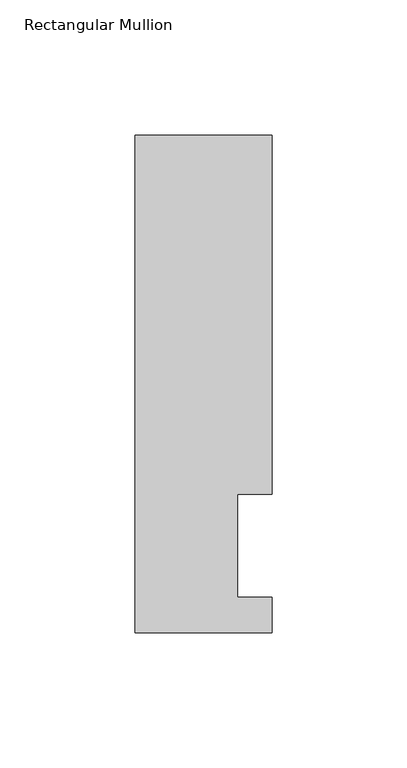
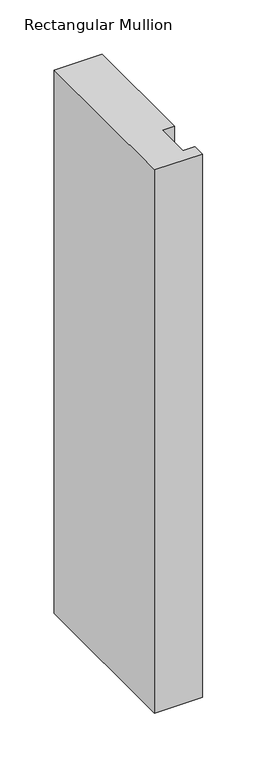
"""IFC4 building model written with IfcOpenShell, lengths in millimetres: member geometry, Rectangular Mullion."""

from ifc_helpers import new_model, si_unit, frame, origin, place, context, project, spatial, polyline, outline, extrude, source, transform, mapped, element, save


def rectangular_mullion_2be2d13f(model_context):
    return source(origin(), model_context, "Body", "SweptSolid", [
        extrude(outline(polyline([(-50.8, 184.2396937), (0.0, 184.2396937), (0.0, 51.2960938), (-12.7, 51.2960938), (-12.7, 13.1960938), (0.0, 13.1960938), (0.0, 0.0134937), (-50.8, 0.0134937), (-50.8, 184.2396937)])), frame((0.0, 0.0, -609.6), z_axis=(0.0, 0.0, 1.0), x_axis=(1.0, 0.0, 0.0)), (0.0, 0.0, 1.0), 609.6),
    ])


if __name__ == "__main__":
    model = new_model("IFC4")
    model_context = context("Model", 3, world=origin())
    ifc_project = project(units=[si_unit("LENGTHUNIT", "METRE", prefix="MILLI")], contexts=[model_context])
    site = spatial("IfcSite", under=ifc_project)
    building = spatial("IfcBuilding", under=site)
    placement = place(None, origin())
    rectangular_mullion_shape = rectangular_mullion_2be2d13f(model_context)
    element("IfcMember", 1, ObjectType="Rectangular Mullion", at=placement, inside=building, context=model_context, shape_type="MappedRepresentation", body=[
        mapped(rectangular_mullion_shape, transform((0.0, 0.0, 0.0), x_axis=(1.0, 0.0, 0.0), y_axis=(0.0, 1.0, 0.0), z_axis=(0.0, 0.0, 1.0))),
    ])
    save(model, "model.ifc")
